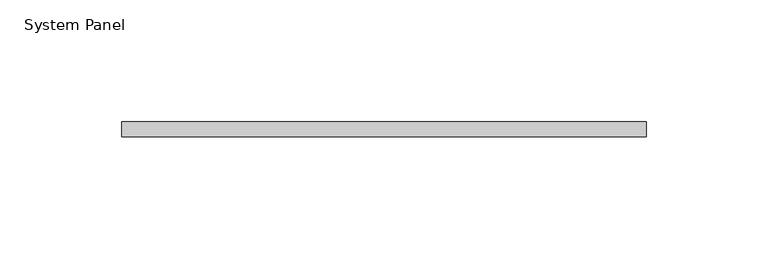
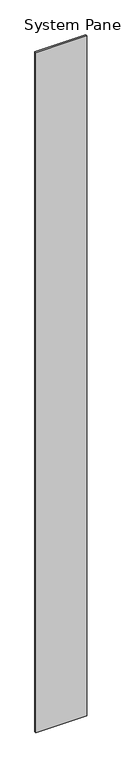
"""IFC4 building model written with IfcOpenShell, lengths in millimetres: plate geometry, System Panel."""

from ifc_helpers import new_model, si_unit, origin, origin_with_axes, place, context, project, spatial, polyline, outline, extrude, source, transform, mapped, element, save


def system_panel_e138bbfd(model_context):
    return source(origin(), model_context, "Body", "SweptSolid", [
        extrude(outline(polyline([(107.95, -6.35), (-107.95, -6.35), (-107.95, 0.0), (107.95, 0.0), (107.95, -6.35)])), origin_with_axes(), (0.0, 0.0, 1.0), 3048.0),
    ])


if __name__ == "__main__":
    model = new_model("IFC4")
    model_context = context("Model", 3, world=origin())
    ifc_project = project(units=[si_unit("LENGTHUNIT", "METRE", prefix="MILLI")], contexts=[model_context])
    site = spatial("IfcSite", under=ifc_project)
    building = spatial("IfcBuilding", under=site)
    placement = place(None, origin())
    system_panel_shape = system_panel_e138bbfd(model_context)
    element("IfcPlate", 1, ObjectType="System Panel", at=placement, inside=building, context=model_context, shape_type="MappedRepresentation", body=[
        mapped(system_panel_shape, transform((0.0, 0.0, 0.0), x_axis=(1.0, 0.0, 0.0), y_axis=(0.0, 1.0, 0.0), z_axis=(0.0, 0.0, 1.0))),
    ])
    save(model, "model.ifc")
